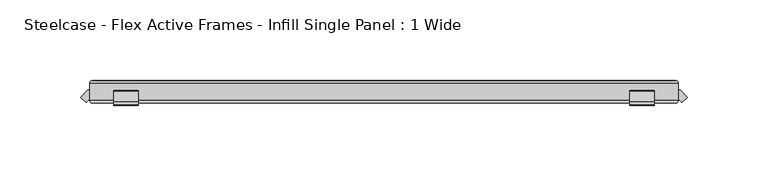
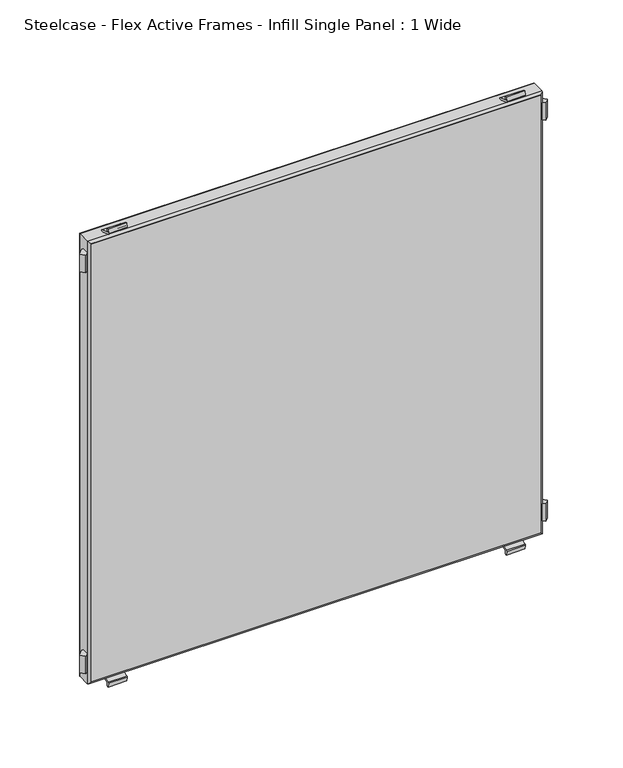
"""IFC4 building model written with IfcOpenShell, lengths in millimetres: furniture geometry, Steelcase - Flex Active Frames - Infill Single Panel : 1 Wide."""

from ifc_helpers import new_model, si_unit, point, frame, frame_2d, origin, place, context, project, spatial, polyline, circle_curve, ellipse_curve, trimmed, segment, composite_curve, outline, extrude, source, transform, mapped, element, save
from ifc_brep_helpers import plane_surface, cylinder_surface, advanced_brep


def steelcase_flex_active_frames_infill_single_panel_1_wide_19d72bf2(model_context):
    return source(origin(), model_context, "Body", "SolidModel", [
        extrude(outline(composite_curve([segment(polyline([(5.9111802, 381.5885542), (-0.8975617, 384.065656)]), True, "CONTINUOUS"), segment(trimmed(circle_curve(frame_2d((-0.6921967, 384.6301374)), 0.6006779), [point((-0.8975617, 384.065656))], [point((-1.2842404, 384.7316172))], False, "CARTESIAN"), True, "CONTINUOUS"), segment(polyline([(-1.2842404, 384.7316172), (-0.6936424, 388.1772262), (0.7999207, 387.9155571), (0.4119794, 385.7147232)]), True, "CONTINUOUS"), segment(trimmed(circle_curve(frame_2d((1.0061566, 385.6099875)), 0.6033374), [point((0.4119794, 385.7147232))], [point((0.8009038, 385.0426363))], True, "CARTESIAN"), True, "CONTINUOUS"), segment(polyline([(0.8009038, 385.0426363), (7.3392807, 382.6772232)]), True, "CONTINUOUS"), segment(trimmed(circle_curve(frame_2d((6.994052, 381.7229562)), 1.0147947), [point((7.3392807, 382.6772232))], [point((7.999907, 381.5885542))], False, "CARTESIAN"), True, "CONTINUOUS"), segment(polyline([(7.999907, 381.5885542), (5.9111802, 381.5885542)]), True, "CONTINUOUS")], self_intersect=False)), frame((334.4757686, 0.0, 0.0), z_axis=(1.0, 0.0, 0.0), x_axis=(0.0, 1.0, 0.0)), (0.0, 0.0, 1.0), 15.0034447),
        extrude(outline(composite_curve([segment(polyline([(5.9110829, 6.5887186), (7.9997063, 6.5887186)]), True, "CONTINUOUS"), segment(trimmed(circle_curve(frame_2d((6.9941469, 6.4541073)), 1.0145294), [point((7.9997063, 6.5887186))], [point((7.3392807, 5.5000882))], False, "CARTESIAN"), True, "CONTINUOUS"), segment(polyline([(7.3392807, 5.5000882), (0.7777558, 3.1263368)]), True, "CONTINUOUS"), segment(trimmed(circle_curve(frame_2d((0.9730442, 2.5865202)), 0.5740553), [point((0.7777558, 3.1263368))], [point((0.4077045, 2.4868687))], True, "CARTESIAN"), True, "CONTINUOUS"), segment(polyline([(0.4077045, 2.4868687), (0.7999445, 0.2616253), (-0.6935028, -2.35e-05), (-1.2816187, 3.4297567)]), True, "CONTINUOUS"), segment(trimmed(circle_curve(frame_2d((-0.6705511, 3.5345385)), 0.6199861), [point((-1.2816187, 3.4297567))], [point((-0.8825145, 4.1171655))], False, "CARTESIAN"), True, "CONTINUOUS"), segment(polyline([(-0.8825145, 4.1171655), (5.9110829, 6.5887186)]), True, "CONTINUOUS")], self_intersect=False)), frame((334.4757686, 0.0, 0.0), z_axis=(1.0, 0.0, 0.0), x_axis=(0.0, 1.0, 0.0)), (0.0, 0.0, 1.0), 15.0034447),
        extrude(outline(composite_curve([segment(polyline([(5.9111802, 381.5885542), (-0.8975617, 384.065656)]), True, "CONTINUOUS"), segment(trimmed(circle_curve(frame_2d((-0.6921967, 384.6301374)), 0.6006779), [point((-0.8975617, 384.065656))], [point((-1.2842404, 384.7316172))], False, "CARTESIAN"), True, "CONTINUOUS"), segment(polyline([(-1.2842404, 384.7316172), (-0.6936424, 388.1772262), (0.7999207, 387.9155571), (0.4119794, 385.7147232)]), True, "CONTINUOUS"), segment(trimmed(circle_curve(frame_2d((1.0061566, 385.6099875)), 0.6033374), [point((0.4119794, 385.7147232))], [point((0.8009038, 385.0426363))], True, "CARTESIAN"), True, "CONTINUOUS"), segment(polyline([(0.8009038, 385.0426363), (7.3392807, 382.6772232)]), True, "CONTINUOUS"), segment(trimmed(circle_curve(frame_2d((6.994052, 381.7229562)), 1.0147947), [point((7.3392807, 382.6772232))], [point((7.999907, 381.5885542))], False, "CARTESIAN"), True, "CONTINUOUS"), segment(polyline([(7.999907, 381.5885542), (5.9111802, 381.5885542)]), True, "CONTINUOUS")], self_intersect=False)), frame((15.0199771, 0.0, 0.0), z_axis=(1.0, 0.0, 0.0), x_axis=(0.0, 1.0, 0.0)), (0.0, 0.0, 1.0), 15.0034326),
        extrude(outline(composite_curve([segment(polyline([(5.9110829, 6.5887186), (7.9997063, 6.5887186)]), True, "CONTINUOUS"), segment(trimmed(circle_curve(frame_2d((6.9941469, 6.4541073)), 1.0145294), [point((7.9997063, 6.5887186))], [point((7.3392807, 5.5000882))], False, "CARTESIAN"), True, "CONTINUOUS"), segment(polyline([(7.3392807, 5.5000882), (0.7777558, 3.1263368)]), True, "CONTINUOUS"), segment(trimmed(circle_curve(frame_2d((0.9730442, 2.5865202)), 0.5740553), [point((0.7777558, 3.1263368))], [point((0.4077045, 2.4868687))], True, "CARTESIAN"), True, "CONTINUOUS"), segment(polyline([(0.4077045, 2.4868687), (0.7999445, 0.2616253), (-0.6935028, -2.35e-05), (-1.2816187, 3.4297567)]), True, "CONTINUOUS"), segment(trimmed(circle_curve(frame_2d((-0.6705511, 3.5345385)), 0.6199861), [point((-1.2816187, 3.4297567))], [point((-0.8825145, 4.1171655))], False, "CARTESIAN"), True, "CONTINUOUS"), segment(polyline([(-0.8825145, 4.1171655), (5.9110829, 6.5887186)]), True, "CONTINUOUS")], self_intersect=False)), frame((15.0199771, 0.0, 0.0), z_axis=(1.0, 0.0, 0.0), x_axis=(0.0, 1.0, 0.0)), (0.0, 0.0, 1.0), 15.0034326),
        extrude(outline(polyline([(364.4994689, 2.5030965), (364.4994689, 7.9998993), (365.5369056, 7.9998993), (369.9438071, 3.5722626), (366.7031135, 0.3282745), (364.4994689, 2.5030965)])), frame((0.0, 0.0, 16.6556237), z_axis=(0.0, 0.0, 1.0), x_axis=(1.0, 0.0, 0.0)), (0.0, 0.0, 1.0), 14.9643454),
        extrude(outline(polyline([(0.0, 7.9997055), (0.0, 2.5031537), (-2.2038989, 0.3280807), (-5.4446047, 3.5720566), (-1.0377395, 7.9997055), (0.0, 7.9997055)])), frame((0.0, 0.0, 16.6556237), z_axis=(0.0, 0.0, 1.0), x_axis=(1.0, 0.0, 0.0)), (0.0, 0.0, 1.0), 14.9643454),
        extrude(outline(polyline([(364.4994689, 2.5030965), (364.4994689, 7.9998993), (365.5369056, 7.9998993), (369.9438071, 3.5722626), (366.7031135, 0.3282745), (364.4994689, 2.5030965)])), frame((0.0, 0.0, 356.5573544), z_axis=(0.0, 0.0, 1.0), x_axis=(1.0, 0.0, 0.0)), (0.0, 0.0, 1.0), 14.9650265),
        extrude(outline(polyline([(0.0, 7.9997055), (0.0, 2.5031537), (-2.2038989, 0.3280807), (-5.4446047, 3.5720566), (-1.0377395, 7.9997055), (0.0, 7.9997055)])), frame((0.0, 0.0, 356.5573544), z_axis=(0.0, 0.0, 1.0), x_axis=(1.0, 0.0, 0.0)), (0.0, 0.0, 1.0), 14.9650265),
        extrude(outline(polyline([(362.5670312, 13.9997269), (362.5670312, 0.0), (1.9324377, 0.0), (1.9324377, 13.9997269), (362.5670312, 13.9997269)])), frame((0.0, 0.0, 8.5211562), z_axis=(0.0, 0.0, 1.0), x_axis=(1.0, 0.0, 0.0)), (0.0, 0.0, 1.0), 371.1349603),
        advanced_brep(
        [(0.0, 12.0672892, 381.5885542), (0.0, 12.0672892, 6.5887186), (0.0, 1.9324377, 6.5887186), (0.0, 1.9324377, 381.5885542), (1.9324377, 0.0, 379.6561165), (1.9324377, 0.0, 8.5211562), (1.9324377, 13.9997269, 8.5211562), (1.9324377, 13.9997269, 379.6561165), (364.4994689, 12.0672892, 6.5887186), (364.4994689, 1.9324377, 6.5887186), (362.5670312, 0.0, 8.5211562), (362.5670312, 13.9997269, 8.5211562), (364.4994689, 12.0672892, 381.5885542), (364.4994689, 1.9324377, 381.5885542), (362.5670312, 0.0, 379.6561165), (362.5670312, 13.9997269, 379.6561165)],
        [
            (0, 1),
            (1, 2),
            (2, 3),
            (3, 0),
            (4, 5),
            (5, 6),
            (6, 7),
            (7, 4),
            (1, 8),
            (8, 9),
            (9, 2),
            (5, 10),
            (10, 11),
            (11, 6),
            (8, 12),
            (12, 13),
            (13, 9),
            (10, 14),
            (14, 15),
            (15, 11),
            (12, 0),
            (3, 13),
            (14, 4),
            (7, 15),
            (2, 5, ellipse_curve(frame((1.9324377, 1.9324377, 8.5211562), z_axis=(-0.7071067811865475, 0.0, 0.7071067811865475), x_axis=(0.7071067811865474, 0.0, 0.7071067811865476)), 2.7328796, 1.9324377)),
            (4, 3, ellipse_curve(frame((1.9324377, 1.9324377, 379.6561165), z_axis=(-0.7071067811865475, 0.0, -0.7071067811865475), x_axis=(-0.7071067811865474, 0.0, 0.7071067811865476)), 2.7328796, 1.9324377)),
            (6, 1, ellipse_curve(frame((1.9324377, 12.0672892, 8.5211562), z_axis=(-0.7071067811865475, 0.0, 0.7071067811865475), x_axis=(0.7071067811865474, 0.0, 0.7071067811865476)), 2.7328796, 1.9324377)),
            (0, 7, ellipse_curve(frame((1.9324377, 12.0672892, 379.6561165), z_axis=(-0.7071067811865475, 0.0, -0.7071067811865475), x_axis=(-0.7071067811865474, 0.0, 0.7071067811865476)), 2.7328796, 1.9324377)),
            (9, 10, ellipse_curve(frame((362.5670312, 1.9324377, 8.5211562), z_axis=(-0.7071067811865475, 0.0, -0.7071067811865475), x_axis=(-0.7071067811865476, 0.0, 0.7071067811865474)), 2.7328796, 1.9324377)),
            (11, 8, ellipse_curve(frame((362.5670312, 12.0672892, 8.5211562), z_axis=(-0.7071067811865475, 0.0, -0.7071067811865475), x_axis=(-0.7071067811865476, 0.0, 0.7071067811865474)), 2.7328796, 1.9324377)),
            (13, 14, ellipse_curve(frame((362.5670312, 1.9324377, 379.6561165), z_axis=(0.7071067811865475, 0.0, -0.7071067811865475), x_axis=(-0.7071067811865474, 0.0, -0.7071067811865476)), 2.7328796, 1.9324377)),
            (15, 12, ellipse_curve(frame((362.5670312, 12.0672892, 379.6561165), z_axis=(0.7071067811865475, 0.0, -0.7071067811865475), x_axis=(-0.7071067811865474, 0.0, -0.7071067811865476)), 2.7328796, 1.9324377)),
        ],
        [
            plane_surface(frame((0.0, 1.9324377, 381.5885542), z_axis=(-1.0, 0.0, 0.0), x_axis=(0.0, 0.0, -1.0))),
            plane_surface(frame((1.9324377, 13.9997269, 379.6561165), z_axis=(1.0, 0.0, 0.0), x_axis=(0.0, 0.0, -1.0))),
            plane_surface(frame((0.0, 1.9324377, 6.5887186), z_axis=(0.0, 0.0, -1.0), x_axis=(1.0, 0.0, 0.0))),
            plane_surface(frame((1.9324377, 13.9997269, 8.5211562), z_axis=(0.0, 0.0, 1.0), x_axis=(1.0, 0.0, 0.0))),
            plane_surface(frame((364.4994689, 1.9324377, 6.5887186), z_axis=(1.0, 0.0, 0.0), x_axis=(0.0, 0.0, 1.0))),
            plane_surface(frame((362.5670312, 13.9997269, 8.5211562), z_axis=(-1.0, 0.0, 0.0), x_axis=(0.0, 0.0, 1.0))),
            plane_surface(frame((364.4994689, 1.9324377, 381.5885542), z_axis=(0.0, 0.0, 1.0), x_axis=(-1.0, 0.0, 0.0))),
            plane_surface(frame((362.5670312, 13.9997269, 379.6561165), z_axis=(0.0, 0.0, -1.0), x_axis=(-1.0, 0.0, 0.0))),
            cylinder_surface(frame((1.9324377, 1.9324377, 381.5885542), z_axis=(0.0, 0.0, 1.0), x_axis=(1.0, 0.0, 0.0)), 1.9324377),
            cylinder_surface(frame((1.9324377, 12.0672892, 381.5885542), z_axis=(0.0, 0.0, 1.0), x_axis=(1.0, 0.0, 0.0)), 1.9324377),
            cylinder_surface(frame((0.0, 1.9324377, 8.5211562), z_axis=(-1.0, 0.0, 0.0), x_axis=(0.0, 0.0, 1.0)), 1.9324377),
            cylinder_surface(frame((0.0, 12.0672892, 8.5211562), z_axis=(-1.0, 0.0, 0.0), x_axis=(0.0, 0.0, 1.0)), 1.9324377),
            cylinder_surface(frame((362.5670312, 1.9324377, 6.5887186), z_axis=(0.0, 0.0, -1.0), x_axis=(-1.0, 0.0, 0.0)), 1.9324377),
            cylinder_surface(frame((362.5670312, 12.0672892, 6.5887186), z_axis=(0.0, 0.0, -1.0), x_axis=(-1.0, 0.0, 0.0)), 1.9324377),
            cylinder_surface(frame((364.4994689, 1.9324377, 379.6561165), z_axis=(1.0, 0.0, 0.0), x_axis=(0.0, 0.0, -1.0)), 1.9324377),
            cylinder_surface(frame((364.4994689, 12.0672892, 379.6561165), z_axis=(1.0, 0.0, 0.0), x_axis=(0.0, 0.0, -1.0)), 1.9324377),
        ],
        [
            (0, [[1, 2, 3, 4]]),
            (1, [[5, 6, 7, 8]]),
            (2, [[9, 10, 11, -2]]),
            (3, [[12, 13, 14, -6]]),
            (4, [[15, 16, 17, -10]]),
            (5, [[18, 19, 20, -13]]),
            (6, [[21, -4, 22, -16]]),
            (7, [[23, -8, 24, -19]]),
            (8, [[-3, 25, -5, 26]]),
            (9, [[-7, 27, -1, 28]]),
            (10, [[-11, 29, -12, -25]]),
            (11, [[-14, 30, -9, -27]]),
            (12, [[-17, 31, -18, -29]]),
            (13, [[-20, 32, -15, -30]]),
            (14, [[-22, -26, -23, -31]]),
            (15, [[-24, -28, -21, -32]]),
        ],
    ),
    ])


if __name__ == "__main__":
    model = new_model("IFC4")
    model_context = context("Model", 3, world=origin())
    ifc_project = project(units=[si_unit("LENGTHUNIT", "METRE", prefix="MILLI")], contexts=[model_context])
    site = spatial("IfcSite", under=ifc_project)
    building = spatial("IfcBuilding", under=site)
    placement = place(None, origin())
    steelcase_flex_active_frames_infill_single_panel_1_wide_shape = steelcase_flex_active_frames_infill_single_panel_1_wide_19d72bf2(model_context)
    element("IfcFurniture", 1, ObjectType="Steelcase - Flex Active Frames - Infill Single Panel : 1 Wide", at=placement, inside=building, context=model_context, shape_type="MappedRepresentation", body=[
        mapped(steelcase_flex_active_frames_infill_single_panel_1_wide_shape, transform((0.0, 0.0, 0.0), x_axis=(1.0, 0.0, 0.0), y_axis=(0.0, 1.0, 0.0), z_axis=(0.0, 0.0, 1.0))),
    ])
    save(model, "model.ifc")
